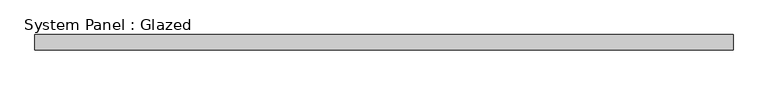
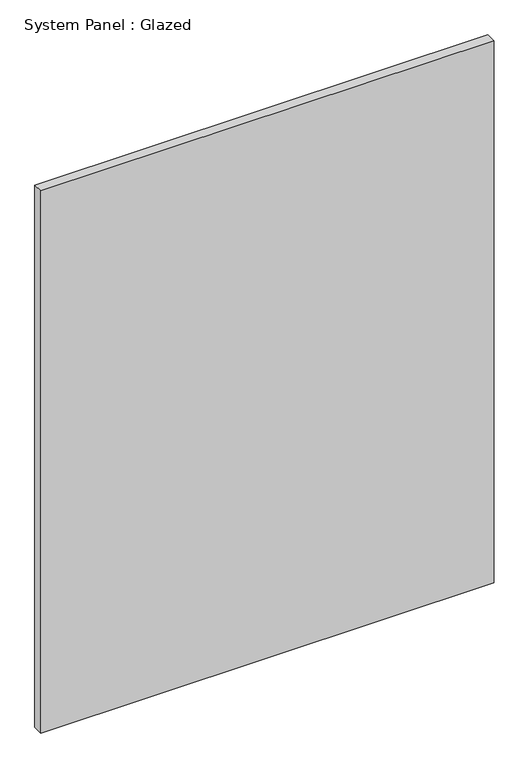
"""IFC4 building model written with IfcOpenShell, lengths in millimetres: plate geometry, System Panel : Glazed."""

from ifc_helpers import new_model, si_unit, origin, origin_with_axes, place, context, project, spatial, polyline, outline, extrude, source, transform, mapped, element, save


def system_panel_glazed_7ecc30eb(model_context):
    return source(origin(), model_context, "Body", "SweptSolid", [
        extrude(outline(polyline([(576.2625, -36.6), (-576.2625, -36.6), (-576.2625, -11.2), (576.2625, -11.2), (576.2625, -36.6)])), origin_with_axes(), (0.0, 0.0, 1.0), 1457.325),
    ])


if __name__ == "__main__":
    model = new_model("IFC4")
    model_context = context("Model", 3, world=origin())
    ifc_project = project(units=[si_unit("LENGTHUNIT", "METRE", prefix="MILLI")], contexts=[model_context])
    site = spatial("IfcSite", under=ifc_project)
    building = spatial("IfcBuilding", under=site)
    placement = place(None, origin())
    system_panel_glazed_shape = system_panel_glazed_7ecc30eb(model_context)
    element("IfcPlate", 1, ObjectType="System Panel : Glazed", at=placement, inside=building, context=model_context, shape_type="MappedRepresentation", body=[
        mapped(system_panel_glazed_shape, transform((0.0, 0.0, 0.0), x_axis=(1.0, 0.0, 0.0), y_axis=(0.0, 1.0, 0.0), z_axis=(0.0, 0.0, 1.0))),
    ])
    save(model, "model.ifc")
